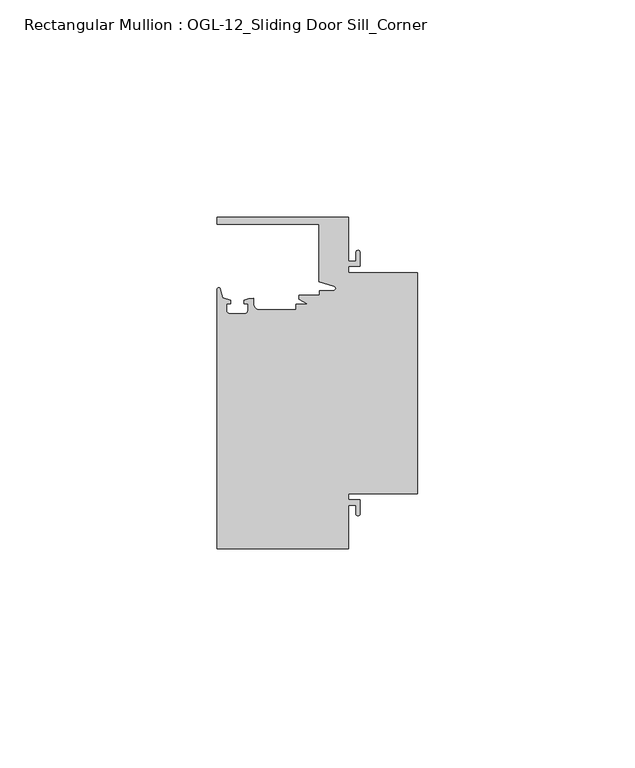
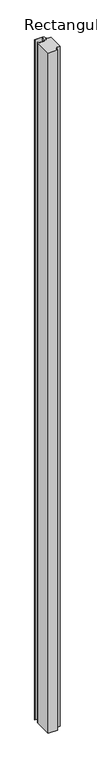
"""IFC4 building model written with IfcOpenShell, lengths in millimetres: member geometry, Rectangular Mullion : OGL-12_Sliding Door Sill_Corner."""

import ifcopenshell
import ifcopenshell.guid

model = None  # the IFC model being written
_history = None  # IfcOwnerHistory: only IFC2X3 demands one
_inside = {}  # id of a spatial element -> (the spatial element, [elements in it])
_under = {}  # id of a project, library or spatial element -> (it, [spatial elements below it])
_declared = {}  # id of a project -> (the project, [libraries it declares])
_typed = {}  # id of a type object -> (the type object, [elements of that type])
_made_of = {}  # id of a material, layer set ... -> (it, [elements and type objects made of it])


def new_model(schema):
    """Start an empty IFC model of exactly this schema.

    Asked for "IFC4X3", IfcOpenShell would pick the latest addendum, in which some entities
    have other attributes; the version numbers below select the first issue.
    IFC2X3 requires an IfcOwnerHistory on every rooted entity: one is made here for all.
    """
    global model, _history
    if schema == "IFC4X3":
        model = ifcopenshell.file(schema_version=(4, 3, 0, 0))
    else:
        model = ifcopenshell.file(schema=schema)
    _inside.clear()
    _under.clear()
    _declared.clear()
    _typed.clear()
    _made_of.clear()
    _history = None
    if model.schema == "IFC2X3":
        org = make("IfcOrganization", Name="unknown")
        user = make(
            "IfcPersonAndOrganization",
            ThePerson=make("IfcPerson", FamilyName="unknown"),
            TheOrganization=org,
        )
        app = make(
            "IfcApplication",
            ApplicationDeveloper=org,
            Version="unknown",
            ApplicationFullName="unknown",
            ApplicationIdentifier="unknown",
        )
        _history = make(
            "IfcOwnerHistory",
            OwningUser=user,
            OwningApplication=app,
            ChangeAction="ADDED",
            CreationDate=0,
        )
    return model


def make(cls, **values):
    """One entity of the class cls with the attributes given. An attribute that is None is left unset."""
    return model.create_entity(
        cls, **{name: value for name, value in values.items() if value is not None}
    )


def rooted(cls, **values):
    """An entity with a GlobalId (a new one), such as an element, a storey or a relation."""
    return make(cls, GlobalId=ifcopenshell.guid.new(), OwnerHistory=_history, **values)


def si_unit(unit_type, name, prefix=None):
    """IfcSIUnit, for example si_unit("LENGTHUNIT", "METRE", prefix="MILLI")."""
    return make("IfcSIUnit", UnitType=unit_type, Prefix=prefix, Name=name)


def assignment(units):
    """IfcUnitAssignment: the units of a project."""
    return None if units is None else make("IfcUnitAssignment", Units=units)


def point(xyz):
    """IfcCartesianPoint."""
    return None if xyz is None else make("IfcCartesianPoint", Coordinates=xyz)


def direction(xyz):
    """IfcDirection."""
    return None if xyz is None else make("IfcDirection", DirectionRatios=xyz)


def frame(location, z_axis=None, x_axis=None):
    """IfcAxis2Placement3D, a coordinate frame: its origin and axes. An axis left out is left unset."""
    return make(
        "IfcAxis2Placement3D",
        Location=point(location),
        Axis=direction(z_axis),
        RefDirection=direction(x_axis),
    )


def frame_2d(location, x_axis=None):
    """IfcAxis2Placement2D, a coordinate frame in the plane: its origin and x axis."""
    return make(
        "IfcAxis2Placement2D", Location=point(location), RefDirection=direction(x_axis)
    )


def origin():
    """The frame at (0, 0, 0) with its axes left unset."""
    return frame((0.0, 0.0, 0.0))


def place(relative_to, where):
    """IfcLocalPlacement: puts the frame where relative to a parent placement (None: the world)."""
    return make(
        "IfcLocalPlacement", PlacementRelTo=relative_to, RelativePlacement=where
    )


def context(
    kind, dimensions, precision=None, world=None, true_north=None, identifier=None
):
    """IfcGeometricRepresentationContext, for example the 3D "Model" context."""
    return make(
        "IfcGeometricRepresentationContext",
        ContextIdentifier=identifier,
        ContextType=kind,
        CoordinateSpaceDimension=dimensions,
        Precision=precision,
        WorldCoordinateSystem=world,
        TrueNorth=true_north,
    )


def project(units=None, contexts=None):
    """IfcProject with its units and contexts."""
    return rooted(
        "IfcProject",
        Name="project",
        RepresentationContexts=contexts,
        UnitsInContext=assignment(units),
    )


def spatial(cls, under=None, at=None, **own):
    """A site, building, storey or space (cls), placed at a placement, below another one or the project."""
    s = rooted(cls, ObjectPlacement=at, **own)
    if under is not None:
        _under.setdefault(under.id(), (under, []))[1].append(s)
    return s


def polyline(points):
    """IfcPolyline through the points."""
    return make("IfcPolyline", Points=[point(p) for p in points])


def circle_curve(where, radius):
    """IfcCircle in the frame where."""
    return make("IfcCircle", Position=where, Radius=radius)


def trimmed(basis, trim1, trim2, sense, master):
    """IfcTrimmedCurve: the piece of a basis curve between two trims."""
    return make(
        "IfcTrimmedCurve",
        BasisCurve=basis,
        Trim1=trim1,
        Trim2=trim2,
        SenseAgreement=sense,
        MasterRepresentation=master,
    )


def segment(curve, same_sense, transition):
    """IfcCompositeCurveSegment."""
    return make(
        "IfcCompositeCurveSegment",
        Transition=transition,
        SameSense=same_sense,
        ParentCurve=curve,
    )


def composite_curve(segments, self_intersect=None):
    """IfcCompositeCurve: segments joined end to end."""
    return make("IfcCompositeCurve", Segments=segments, SelfIntersect=self_intersect)


def outline(outer, holes=None, kind="AREA"):
    """IfcArbitraryClosedProfileDef: a profile drawn as a closed curve; with holes, ...WithVoids."""
    if holes is None:
        return make("IfcArbitraryClosedProfileDef", ProfileType=kind, OuterCurve=outer)
    return make(
        "IfcArbitraryProfileDefWithVoids",
        ProfileType=kind,
        OuterCurve=outer,
        InnerCurves=holes,
    )


def extrude(swept, where, along, depth):
    """IfcExtrudedAreaSolid: the profile swept, set in the frame where, extruded along a direction by depth."""
    return make(
        "IfcExtrudedAreaSolid",
        SweptArea=swept,
        Position=where,
        ExtrudedDirection=direction(along),
        Depth=depth,
    )


def shape(context_of_items, identifier, shape_type, items):
    """IfcShapeRepresentation: the items that make up one representation, for example the "Body"."""
    return make(
        "IfcShapeRepresentation",
        ContextOfItems=context_of_items,
        RepresentationIdentifier=identifier,
        RepresentationType=shape_type,
        Items=items,
    )


def source(mapping_origin, context_of_items, identifier, shape_type, items):
    """IfcRepresentationMap: a shape defined once, which mapped items show again and again."""
    return make(
        "IfcRepresentationMap",
        MappingOrigin=mapping_origin,
        MappedRepresentation=shape(context_of_items, identifier, shape_type, items),
    )


def transform(
    local_origin,
    x_axis=None,
    y_axis=None,
    z_axis=None,
    scale=None,
    scale2=None,
    scale3=None,
    uniform=True,
):
    """IfcCartesianTransformationOperator3D, or its non-uniform kind. x_axis, y_axis, z_axis: its Axis1, 2, 3."""
    if uniform:
        return make(
            "IfcCartesianTransformationOperator3D",
            Axis1=direction(x_axis),
            Axis2=direction(y_axis),
            LocalOrigin=point(local_origin),
            Scale=scale,
            Axis3=direction(z_axis),
        )
    return make(
        "IfcCartesianTransformationOperator3DnonUniform",
        Axis1=direction(x_axis),
        Axis2=direction(y_axis),
        LocalOrigin=point(local_origin),
        Scale=scale,
        Axis3=direction(z_axis),
        Scale2=scale2,
        Scale3=scale3,
    )


def mapped(mapping_source, mapping_target):
    """IfcMappedItem: shows the shape of a source again, moved by a transform."""
    return make(
        "IfcMappedItem", MappingSource=mapping_source, MappingTarget=mapping_target
    )


def made_of(thing, what):
    """Note that an element or type object is made of a material, layer set ...; save() writes the relation."""
    if what is not None:
        _made_of.setdefault(what.id(), (what, []))[1].append(thing)
    return thing


def element(
    cls,
    number,
    at=None,
    inside=None,
    cuts=None,
    type_object=None,
    material=None,
    context=None,
    identifier="Body",
    shape_type=None,
    held_by="IfcProductDefinitionShape",
    body=None,
    shapes=None,
    **own,
):
    """One element of the class cls, such as IfcWall. Its Tag is "e" and its number.

    at: its placement. inside: the storey or other place that contains it. cuts: it is an
    opening in that element (IfcRelVoidsElement). A single representation is given by context,
    identifier, shape_type and body (its items); several are given by shapes. held_by: the class
    of the entity that holds the representations. save() writes the other relations.
    """
    e = rooted(cls, Tag="e%d" % number, ObjectPlacement=at, **own)
    if body is not None:
        shapes = [shape(context, identifier, shape_type, body)]
    if shapes is not None:
        e.Representation = make(held_by, Representations=shapes)
    if inside is not None:
        _inside.setdefault(inside.id(), (inside, []))[1].append(e)
    if cuts is not None:
        rooted(
            "IfcRelVoidsElement", RelatingBuildingElement=cuts, RelatedOpeningElement=e
        )
    if type_object is not None:
        _typed.setdefault(type_object.id(), (type_object, []))[1].append(e)
    return made_of(e, material)


def aggregate(whole, parts):
    """IfcRelAggregates: a whole, such as a stair, and the parts it consists of."""
    return rooted("IfcRelAggregates", RelatingObject=whole, RelatedObjects=parts)


def save(model, path):
    """Write the relations noted so far, then the file.

    IfcRelAggregates (storeys below a building ...), IfcRelContainedInSpatialStructure (elements
    in a storey), IfcRelDefinesByType, IfcRelAssociatesMaterial and IfcRelDeclares: one each for
    every whole, place, type object, material and project.
    """
    for whole, parts in _under.values():
        aggregate(whole, parts)
    for where, things in _inside.values():
        rooted(
            "IfcRelContainedInSpatialStructure",
            RelatedElements=things,
            RelatingStructure=where,
        )
    for kind, things in _typed.values():
        rooted("IfcRelDefinesByType", RelatedObjects=things, RelatingType=kind)
    for what, things in _made_of.values():
        rooted("IfcRelAssociatesMaterial", RelatedObjects=things, RelatingMaterial=what)
    for by, libraries in _declared.values():
        rooted("IfcRelDeclares", RelatingContext=by, RelatedDefinitions=libraries)
    model.write(path)


def rectangular_mullion_ogl_12_sliding_door_sill_corner_faa43475(model_context):
    return source(origin(), model_context, "Body", "SweptSolid", [
        extrude(outline(composite_curve([segment(polyline([(0.0, -4.7625), (0.0, -55.5625), (-15.934238, -55.5625), (-15.934238, -57.0104425), (-13.2417195, -57.0104425), (-13.2417195, -60.2053503)]), True, "CONTINUOUS"), segment(trimmed(circle_curve(frame_2d((-13.6974747, -60.2053503)), 0.4557552), [point((-13.2417195, -60.2053503))], [point((-14.15323, -60.2053503))], False, "CARTESIAN"), True, "CONTINUOUS"), segment(polyline([(-14.15323, -60.2053503), (-14.15323, -58.2169425), (-15.934238, -58.2169425), (-15.934238, -68.2628208), (-46.0931306, -68.2628208), (-46.0931306, -8.5365859)]), True, "CONTINUOUS"), segment(trimmed(circle_curve(frame_2d((-45.7573546, -8.5365859)), 0.335776), [point((-46.0931306, -8.5365859))], [point((-45.434586, -8.4440335))], False, "CARTESIAN"), True, "CONTINUOUS"), segment(polyline([(-45.434586, -8.4440335), (-44.83413, -10.5380726), (-43.0244711, -11.1260664), (-43.0244711, -11.9378256), (-44.0028338, -11.9378256), (-44.0028338, -13.3878227)]), True, "CONTINUOUS"), segment(trimmed(circle_curve(frame_2d((-43.2028354, -13.3878227)), 0.7999984), [point((-44.0028338, -13.3878227))], [point((-43.2028354, -14.1878211))], True, "CARTESIAN"), True, "CONTINUOUS"), segment(polyline([(-43.2028354, -14.1878211), (-39.8028422, -14.1878211)]), True, "CONTINUOUS"), segment(trimmed(circle_curve(frame_2d((-39.8028422, -13.3878227)), 0.7999984), [point((-39.8028422, -14.1878211))], [point((-39.0028438, -13.3878227))], True, "CARTESIAN"), True, "CONTINUOUS"), segment(polyline([(-39.0028438, -13.3878227), (-39.0028438, -11.9378256), (-39.9812066, -11.9378256), (-39.9812066, -11.0948795), (-38.8813571, -10.7133647), (-37.7528423, -10.6805611), (-37.7528423, -11.8825031)]), True, "CONTINUOUS"), segment(trimmed(circle_curve(frame_2d((-36.3386331, -11.8846104)), 1.4142107), [point((-37.7528423, -11.8825031))], [point((-36.3386331, -13.2988211))], True, "CARTESIAN"), True, "CONTINUOUS"), segment(polyline([(-36.3386331, -13.2988211), (-27.9268052, -13.2988211), (-27.9268052, -12.0119625), (-25.1995125, -12.0119625), (-27.2970068, -10.896705), (-27.2970068, -9.9460025), (-22.6027094, -9.9460025), (-22.6027094, -8.9088472), (-19.3562398, -8.9088472)]), True, "CONTINUOUS"), segment(trimmed(circle_curve(frame_2d((-19.3562398, -8.373424)), 0.5354233), [point((-19.3562398, -8.9088472))], [point((-19.2086572, -7.8587421))], True, "CARTESIAN"), True, "CONTINUOUS"), segment(polyline([(-19.2086572, -7.8587421), (-22.6260049, -6.8788334), (-22.6260049, 6.3496792), (-46.0931306, 6.3496792), (-46.0931306, 7.9371792), (-15.934238, 7.9371792), (-15.934238, -2.1086991), (-14.15323, -2.1086991), (-14.15323, -0.1196497)]), True, "CONTINUOUS"), segment(trimmed(circle_curve(frame_2d((-13.6974747, -0.1196497)), 0.4557552), [point((-14.15323, -0.1196497))], [point((-13.2417195, -0.1196497))], False, "CARTESIAN"), True, "CONTINUOUS"), segment(polyline([(-13.2417195, -0.1196497), (-13.2417195, -3.3151991), (-15.934238, -3.3151991), (-15.934238, -4.7625), (0.0, -4.7625)]), True, "CONTINUOUS")], self_intersect=False)), frame((0.0, 0.0, -2339.914687), z_axis=(0.0, 0.0, 1.0), x_axis=(1.0, 0.0, 0.0)), (0.0, 0.0, 1.0), 2339.914687),
    ])


if __name__ == "__main__":
    model = new_model("IFC4")
    model_context = context("Model", 3, world=origin())
    ifc_project = project(units=[si_unit("LENGTHUNIT", "METRE", prefix="MILLI")], contexts=[model_context])
    site = spatial("IfcSite", under=ifc_project)
    building = spatial("IfcBuilding", under=site)
    placement = place(None, origin())
    rectangular_mullion_ogl_12_sliding_door_sill_corner_shape = rectangular_mullion_ogl_12_sliding_door_sill_corner_faa43475(model_context)
    element("IfcMember", 1, ObjectType="Rectangular Mullion : OGL-12_Sliding Door Sill_Corner", at=placement, inside=building, context=model_context, shape_type="MappedRepresentation", body=[
        mapped(rectangular_mullion_ogl_12_sliding_door_sill_corner_shape, transform((0.0, 0.0, 0.0), x_axis=(1.0, 0.0, 0.0), y_axis=(0.0, 1.0, 0.0), z_axis=(0.0, 0.0, 1.0))),
    ])
    save(model, "model.ifc")
